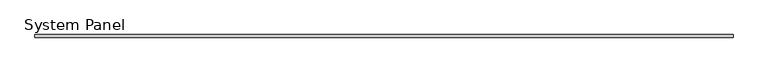
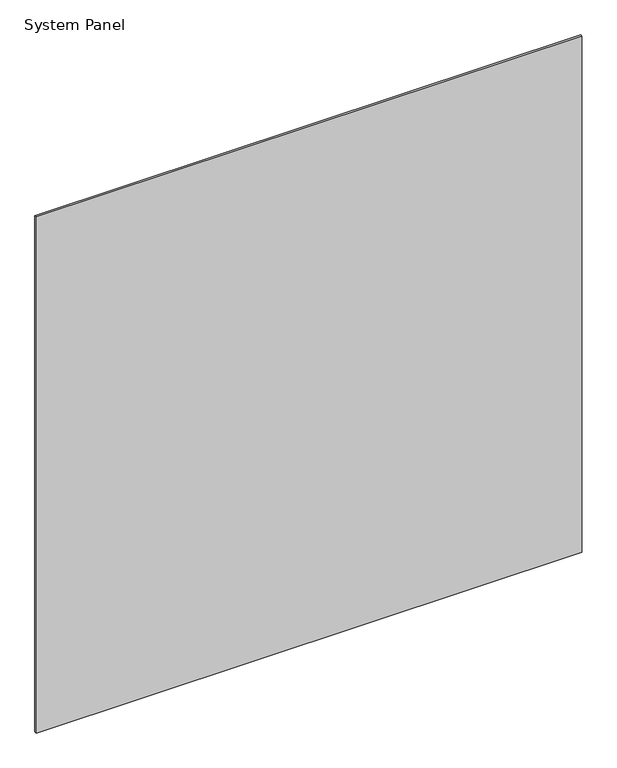
"""IFC4 building model written with IfcOpenShell, lengths in millimetres: plate geometry, System Panel."""

from ifc_helpers import new_model, si_unit, origin, origin_with_axes, place, context, project, spatial, polyline, outline, extrude, source, transform, mapped, element, save


def system_panel_18810483(model_context):
    return source(origin(), model_context, "Body", "SweptSolid", [
        extrude(outline(polyline([(728.6681673, -12.8), (-728.6681673, -12.8), (-728.6681673, -6.4), (728.6681673, -6.4), (728.6681673, -12.8)])), origin_with_axes(), (0.0, 0.0, 1.0), 1457.3476692),
    ])


if __name__ == "__main__":
    model = new_model("IFC4")
    model_context = context("Model", 3, world=origin())
    ifc_project = project(units=[si_unit("LENGTHUNIT", "METRE", prefix="MILLI")], contexts=[model_context])
    site = spatial("IfcSite", under=ifc_project)
    building = spatial("IfcBuilding", under=site)
    placement = place(None, origin())
    system_panel_shape = system_panel_18810483(model_context)
    element("IfcPlate", 1, ObjectType="System Panel", at=placement, inside=building, context=model_context, shape_type="MappedRepresentation", body=[
        mapped(system_panel_shape, transform((0.0, 0.0, 0.0), x_axis=(1.0, 0.0, 0.0), y_axis=(0.0, 1.0, 0.0), z_axis=(0.0, 0.0, 1.0))),
    ])
    save(model, "model.ifc")
